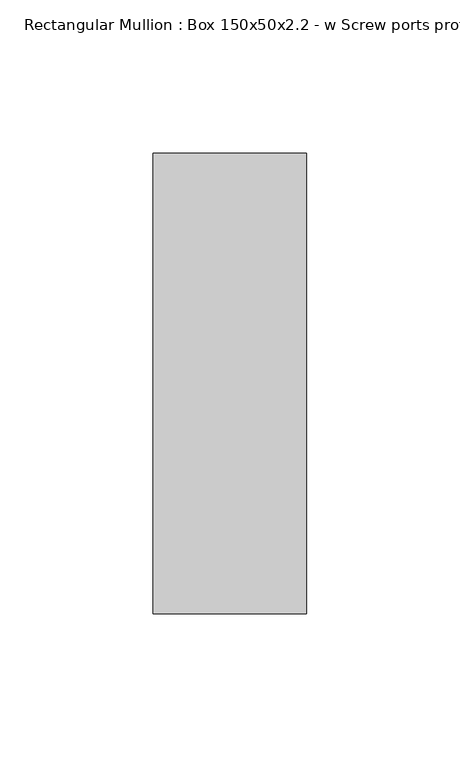
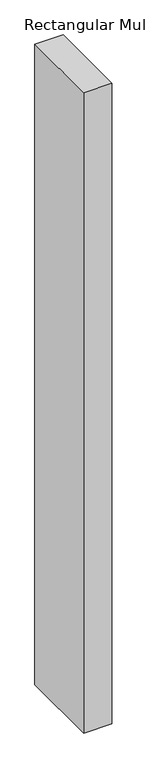
"""IFC4 building model written with IfcOpenShell, lengths in millimetres: member geometry, Rectangular Mullion : Box 150x50x2.2 - w Screw ports profile."""

import ifcopenshell
import ifcopenshell.guid

model = None  # the IFC model being written
_history = None  # IfcOwnerHistory: only IFC2X3 demands one
_inside = {}  # id of a spatial element -> (the spatial element, [elements in it])
_under = {}  # id of a project, library or spatial element -> (it, [spatial elements below it])
_declared = {}  # id of a project -> (the project, [libraries it declares])
_typed = {}  # id of a type object -> (the type object, [elements of that type])
_made_of = {}  # id of a material, layer set ... -> (it, [elements and type objects made of it])


def new_model(schema):
    """Start an empty IFC model of exactly this schema.

    Asked for "IFC4X3", IfcOpenShell would pick the latest addendum, in which some entities
    have other attributes; the version numbers below select the first issue.
    IFC2X3 requires an IfcOwnerHistory on every rooted entity: one is made here for all.
    """
    global model, _history
    if schema == "IFC4X3":
        model = ifcopenshell.file(schema_version=(4, 3, 0, 0))
    else:
        model = ifcopenshell.file(schema=schema)
    _inside.clear()
    _under.clear()
    _declared.clear()
    _typed.clear()
    _made_of.clear()
    _history = None
    if model.schema == "IFC2X3":
        org = make("IfcOrganization", Name="unknown")
        user = make(
            "IfcPersonAndOrganization",
            ThePerson=make("IfcPerson", FamilyName="unknown"),
            TheOrganization=org,
        )
        app = make(
            "IfcApplication",
            ApplicationDeveloper=org,
            Version="unknown",
            ApplicationFullName="unknown",
            ApplicationIdentifier="unknown",
        )
        _history = make(
            "IfcOwnerHistory",
            OwningUser=user,
            OwningApplication=app,
            ChangeAction="ADDED",
            CreationDate=0,
        )
    return model


def make(cls, **values):
    """One entity of the class cls with the attributes given. An attribute that is None is left unset."""
    return model.create_entity(
        cls, **{name: value for name, value in values.items() if value is not None}
    )


def rooted(cls, **values):
    """An entity with a GlobalId (a new one), such as an element, a storey or a relation."""
    return make(cls, GlobalId=ifcopenshell.guid.new(), OwnerHistory=_history, **values)


def si_unit(unit_type, name, prefix=None):
    """IfcSIUnit, for example si_unit("LENGTHUNIT", "METRE", prefix="MILLI")."""
    return make("IfcSIUnit", UnitType=unit_type, Prefix=prefix, Name=name)


def assignment(units):
    """IfcUnitAssignment: the units of a project."""
    return None if units is None else make("IfcUnitAssignment", Units=units)


def point(xyz):
    """IfcCartesianPoint."""
    return None if xyz is None else make("IfcCartesianPoint", Coordinates=xyz)


def direction(xyz):
    """IfcDirection."""
    return None if xyz is None else make("IfcDirection", DirectionRatios=xyz)


def frame(location, z_axis=None, x_axis=None):
    """IfcAxis2Placement3D, a coordinate frame: its origin and axes. An axis left out is left unset."""
    return make(
        "IfcAxis2Placement3D",
        Location=point(location),
        Axis=direction(z_axis),
        RefDirection=direction(x_axis),
    )


def origin():
    """The frame at (0, 0, 0) with its axes left unset."""
    return frame((0.0, 0.0, 0.0))


def place(relative_to, where):
    """IfcLocalPlacement: puts the frame where relative to a parent placement (None: the world)."""
    return make(
        "IfcLocalPlacement", PlacementRelTo=relative_to, RelativePlacement=where
    )


def context(
    kind, dimensions, precision=None, world=None, true_north=None, identifier=None
):
    """IfcGeometricRepresentationContext, for example the 3D "Model" context."""
    return make(
        "IfcGeometricRepresentationContext",
        ContextIdentifier=identifier,
        ContextType=kind,
        CoordinateSpaceDimension=dimensions,
        Precision=precision,
        WorldCoordinateSystem=world,
        TrueNorth=true_north,
    )


def project(units=None, contexts=None):
    """IfcProject with its units and contexts."""
    return rooted(
        "IfcProject",
        Name="project",
        RepresentationContexts=contexts,
        UnitsInContext=assignment(units),
    )


def spatial(cls, under=None, at=None, **own):
    """A site, building, storey or space (cls), placed at a placement, below another one or the project."""
    s = rooted(cls, ObjectPlacement=at, **own)
    if under is not None:
        _under.setdefault(under.id(), (under, []))[1].append(s)
    return s


def polyline(points):
    """IfcPolyline through the points."""
    return make("IfcPolyline", Points=[point(p) for p in points])


def outline(outer, holes=None, kind="AREA"):
    """IfcArbitraryClosedProfileDef: a profile drawn as a closed curve; with holes, ...WithVoids."""
    if holes is None:
        return make("IfcArbitraryClosedProfileDef", ProfileType=kind, OuterCurve=outer)
    return make(
        "IfcArbitraryProfileDefWithVoids",
        ProfileType=kind,
        OuterCurve=outer,
        InnerCurves=holes,
    )


def extrude(swept, where, along, depth):
    """IfcExtrudedAreaSolid: the profile swept, set in the frame where, extruded along a direction by depth."""
    return make(
        "IfcExtrudedAreaSolid",
        SweptArea=swept,
        Position=where,
        ExtrudedDirection=direction(along),
        Depth=depth,
    )


def shape(context_of_items, identifier, shape_type, items):
    """IfcShapeRepresentation: the items that make up one representation, for example the "Body"."""
    return make(
        "IfcShapeRepresentation",
        ContextOfItems=context_of_items,
        RepresentationIdentifier=identifier,
        RepresentationType=shape_type,
        Items=items,
    )


def source(mapping_origin, context_of_items, identifier, shape_type, items):
    """IfcRepresentationMap: a shape defined once, which mapped items show again and again."""
    return make(
        "IfcRepresentationMap",
        MappingOrigin=mapping_origin,
        MappedRepresentation=shape(context_of_items, identifier, shape_type, items),
    )


def transform(
    local_origin,
    x_axis=None,
    y_axis=None,
    z_axis=None,
    scale=None,
    scale2=None,
    scale3=None,
    uniform=True,
):
    """IfcCartesianTransformationOperator3D, or its non-uniform kind. x_axis, y_axis, z_axis: its Axis1, 2, 3."""
    if uniform:
        return make(
            "IfcCartesianTransformationOperator3D",
            Axis1=direction(x_axis),
            Axis2=direction(y_axis),
            LocalOrigin=point(local_origin),
            Scale=scale,
            Axis3=direction(z_axis),
        )
    return make(
        "IfcCartesianTransformationOperator3DnonUniform",
        Axis1=direction(x_axis),
        Axis2=direction(y_axis),
        LocalOrigin=point(local_origin),
        Scale=scale,
        Axis3=direction(z_axis),
        Scale2=scale2,
        Scale3=scale3,
    )


def mapped(mapping_source, mapping_target):
    """IfcMappedItem: shows the shape of a source again, moved by a transform."""
    return make(
        "IfcMappedItem", MappingSource=mapping_source, MappingTarget=mapping_target
    )


def made_of(thing, what):
    """Note that an element or type object is made of a material, layer set ...; save() writes the relation."""
    if what is not None:
        _made_of.setdefault(what.id(), (what, []))[1].append(thing)
    return thing


def element(
    cls,
    number,
    at=None,
    inside=None,
    cuts=None,
    type_object=None,
    material=None,
    context=None,
    identifier="Body",
    shape_type=None,
    held_by="IfcProductDefinitionShape",
    body=None,
    shapes=None,
    **own,
):
    """One element of the class cls, such as IfcWall. Its Tag is "e" and its number.

    at: its placement. inside: the storey or other place that contains it. cuts: it is an
    opening in that element (IfcRelVoidsElement). A single representation is given by context,
    identifier, shape_type and body (its items); several are given by shapes. held_by: the class
    of the entity that holds the representations. save() writes the other relations.
    """
    e = rooted(cls, Tag="e%d" % number, ObjectPlacement=at, **own)
    if body is not None:
        shapes = [shape(context, identifier, shape_type, body)]
    if shapes is not None:
        e.Representation = make(held_by, Representations=shapes)
    if inside is not None:
        _inside.setdefault(inside.id(), (inside, []))[1].append(e)
    if cuts is not None:
        rooted(
            "IfcRelVoidsElement", RelatingBuildingElement=cuts, RelatedOpeningElement=e
        )
    if type_object is not None:
        _typed.setdefault(type_object.id(), (type_object, []))[1].append(e)
    return made_of(e, material)


def aggregate(whole, parts):
    """IfcRelAggregates: a whole, such as a stair, and the parts it consists of."""
    return rooted("IfcRelAggregates", RelatingObject=whole, RelatedObjects=parts)


def save(model, path):
    """Write the relations noted so far, then the file.

    IfcRelAggregates (storeys below a building ...), IfcRelContainedInSpatialStructure (elements
    in a storey), IfcRelDefinesByType, IfcRelAssociatesMaterial and IfcRelDeclares: one each for
    every whole, place, type object, material and project.
    """
    for whole, parts in _under.values():
        aggregate(whole, parts)
    for where, things in _inside.values():
        rooted(
            "IfcRelContainedInSpatialStructure",
            RelatedElements=things,
            RelatingStructure=where,
        )
    for kind, things in _typed.values():
        rooted("IfcRelDefinesByType", RelatedObjects=things, RelatingType=kind)
    for what, things in _made_of.values():
        rooted("IfcRelAssociatesMaterial", RelatedObjects=things, RelatingMaterial=what)
    for by, libraries in _declared.values():
        rooted("IfcRelDeclares", RelatingContext=by, RelatedDefinitions=libraries)
    model.write(path)


def rectangular_mullion_box_150x50x2_2_w_screw_ports_profile_d6a8e55a(model_context):
    return source(origin(), model_context, "Body", "SweptSolid", [
        extrude(outline(polyline([(-50.0, 75.0), (0.0, 75.0), (0.0, -75.0), (-50.0, -75.0), (-50.0, 75.0)])), frame((0.0, 0.0, -1200.0), z_axis=(0.0, 0.0, 1.0), x_axis=(1.0, 0.0, 0.0)), (0.0, 0.0, 1.0), 1200.0),
    ])


if __name__ == "__main__":
    model = new_model("IFC4")
    model_context = context("Model", 3, world=origin())
    ifc_project = project(units=[si_unit("LENGTHUNIT", "METRE", prefix="MILLI")], contexts=[model_context])
    site = spatial("IfcSite", under=ifc_project)
    building = spatial("IfcBuilding", under=site)
    placement = place(None, origin())
    rectangular_mullion_box_150x50x2_2_w_screw_ports_profile_shape = rectangular_mullion_box_150x50x2_2_w_screw_ports_profile_d6a8e55a(model_context)
    element("IfcMember", 1, ObjectType="Rectangular Mullion : Box 150x50x2.2 - w Screw ports profile", at=placement, inside=building, context=model_context, shape_type="MappedRepresentation", body=[
        mapped(rectangular_mullion_box_150x50x2_2_w_screw_ports_profile_shape, transform((0.0, 0.0, 0.0), x_axis=(1.0, 0.0, 0.0), y_axis=(0.0, 1.0, 0.0), z_axis=(0.0, 0.0, 1.0))),
    ])
    save(model, "model.ifc")
